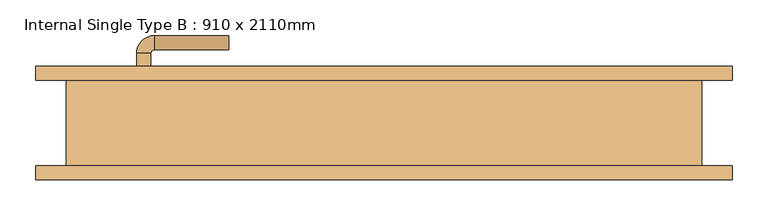
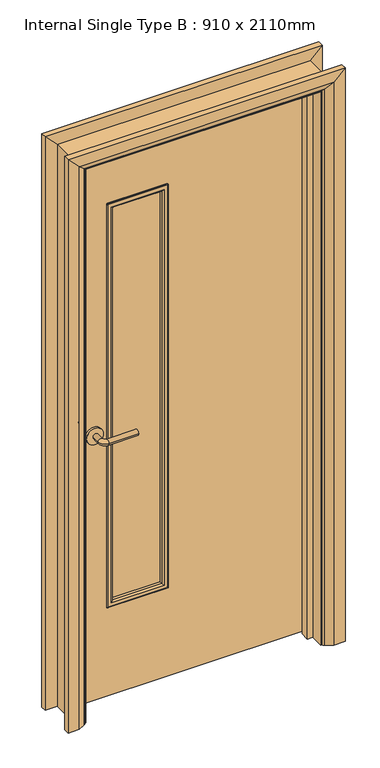
"""IFC4 building model written with IfcOpenShell, lengths in millimetres: door geometry, Internal Single Type B : 910 x 2110mm."""

from ifc_helpers import new_model, si_unit, point, frame, frame_2d, origin, place, context, project, spatial, polyline, circle_curve, ellipse_curve, trimmed, segment, composite_curve, outline, extrude, faceted_brep, source, transform, mapped, element, save
from ifc_brep_helpers import plane_surface, cylinder_surface, revolved_surface, advanced_brep


def internal_single_type_b_910_x_2110mm_4adf08a5(model_context):
    return source(origin(), model_context, "Body", "SolidModel", [
        advanced_brep(
        [(-348.0, 14.0, 1000.0), (-328.0, 14.0, 1000.0), (-328.0, -16.0, 1000.0), (-348.0, -16.0, 1000.0), (-323.0, -21.0, 1000.0), (-323.0, -41.0, 1000.0), (-218.0, -41.0, 1000.0), (-218.0, -21.0, 1000.0)],
        [
            (0, 1, circle_curve(frame((-338.0, 14.0, 1000.0), z_axis=(0.0, 1.0, 0.0), x_axis=(1.0, 0.0, 0.0)), 10.0)),
            (1, 0, circle_curve(frame((-338.0, 14.0, 1000.0), z_axis=(0.0, 1.0, 0.0), x_axis=(1.0, 0.0, 0.0)), 10.0)),
            (1, 2),
            (2, 3, circle_curve(frame((-338.0, -16.0, 1000.0), z_axis=(0.0, 1.0, 0.0), x_axis=(1.0, 0.0, 0.0)), 10.0)),
            (3, 0),
            (3, 2, circle_curve(frame((-338.0, -16.0, 1000.0), z_axis=(0.0, 1.0, 0.0), x_axis=(1.0, 0.0, 0.0)), 10.0)),
            (4, 5, circle_curve(frame((-323.0, -31.0, 1000.0), z_axis=(-1.0, 0.0, 0.0), x_axis=(0.0, 1.0, 0.0)), 10.0)),
            (5, 3, circle_curve(frame((-323.0, -16.0, 1000.0), z_axis=(0.0, 0.0, -1.0), x_axis=(-1.0, 0.0, 0.0)), 25.0)),
            (2, 4, circle_curve(frame((-323.0, -16.0, 1000.0), z_axis=(0.0, 0.0, 1.0), x_axis=(-1.0, 0.0, 0.0)), 5.0)),
            (5, 4, circle_curve(frame((-323.0, -31.0, 1000.0), z_axis=(-1.0, 0.0, 0.0), x_axis=(0.0, 1.0, 0.0)), 10.0)),
            (6, 7, circle_curve(frame((-218.0, -31.0, 1000.0), z_axis=(1.0, 0.0, 0.0), x_axis=(0.0, 1.0, 0.0)), 10.0)),
            (7, 6, circle_curve(frame((-218.0, -31.0, 1000.0), z_axis=(1.0, 0.0, 0.0), x_axis=(0.0, 1.0, 0.0)), 10.0)),
            (4, 7),
            (6, 5),
        ],
        [
            plane_surface(frame((-338.0, 14.0, 1000.0), z_axis=(0.0, 1.0, 0.0), x_axis=(0.0, 0.0, 1.0))),
            cylinder_surface(frame((-338.0, 14.0, 1000.0), z_axis=(0.0, 1.0, 0.0), x_axis=(1.0, 0.0, 0.0)), 10.0),
            revolved_surface(trimmed(ellipse_curve(frame((-338.0, -16.0, 1000.0), z_axis=(0.0, -1.0, 0.0), x_axis=(1.0, 0.0, 0.0)), 10.0, 10.0), [point((-348.0, -16.0, 1000.0))], [point((-328.0, -16.0, 1000.0))], True, "CARTESIAN"), (-323.0, -16.0, 1000.0), (0.0, 0.0, -1.0)),
            revolved_surface(trimmed(ellipse_curve(frame((-338.0, -16.0, 1000.0), z_axis=(0.0, -1.0, 0.0), x_axis=(1.0, 0.0, 0.0)), 10.0, 10.0), [point((-328.0, -16.0, 1000.0))], [point((-348.0, -16.0, 1000.0))], True, "CARTESIAN"), (-323.0, -16.0, 1000.0), (0.0, 0.0, -1.0)),
            plane_surface(frame((-218.0, -31.0, 1000.0), z_axis=(1.0, 0.0, 0.0), x_axis=(0.0, 0.0, 1.0))),
            cylinder_surface(frame((-323.0, -31.0, 1000.0), z_axis=(-1.0, 0.0, 0.0), x_axis=(0.0, 1.0, 0.0)), 10.0),
        ],
        [
            (0, [[1, 2]]),
            (1, [[3, 4, 5, -2]]),
            (1, [[-5, 6, -3, -1]]),
            (2, [[7, 8, -4, 9]]),
            (3, [[10, -9, -6, -8]]),
            (4, [[11, 12]]),
            (5, [[13, -11, 14, -7]]),
            (5, [[-14, -12, -13, -10]]),
        ],
    ),
        extrude(outline(composite_curve([segment(trimmed(circle_curve(frame_2d((1000.0, -340.5)), 30.0), [point((1000.0, -370.5))], [point((1000.0, -310.5))], False, "CARTESIAN"), True, "CONTINUOUS"), segment(trimmed(circle_curve(frame_2d((1000.0, -340.5)), 30.0), [point((1000.0, -310.5))], [point((1000.0, -370.5))], False, "CARTESIAN"), True, "CONTINUOUS")], self_intersect=False)), frame((0.0, 14.0, 0.0), z_axis=(0.0, 1.0, 0.0), x_axis=(0.0, 0.0, 1.0)), (0.0, 0.0, 1.0), 8.0),
        advanced_brep(
        [(-348.0, 68.0, 1000.0), (-328.0, 68.0, 1000.0), (-348.0, 98.0, 1000.0), (-328.0, 98.0, 1000.0), (-323.0, 103.0, 1000.0), (-323.0, 123.0, 1000.0), (-218.0, 123.0, 1000.0), (-218.0, 103.0, 1000.0)],
        [
            (0, 1, circle_curve(frame((-338.0, 68.0, 1000.0), z_axis=(0.0, -1.0, 0.0), x_axis=(1.0, 0.0, 0.0)), 10.0)),
            (1, 0, circle_curve(frame((-338.0, 68.0, 1000.0), z_axis=(0.0, -1.0, 0.0), x_axis=(1.0, 0.0, 0.0)), 10.0)),
            (0, 2),
            (2, 3, circle_curve(frame((-338.0, 98.0, 1000.0), z_axis=(0.0, -1.0, 0.0), x_axis=(1.0, 0.0, 0.0)), 10.0)),
            (3, 1),
            (3, 2, circle_curve(frame((-338.0, 98.0, 1000.0), z_axis=(0.0, -1.0, 0.0), x_axis=(1.0, 0.0, 0.0)), 10.0)),
            (4, 3, circle_curve(frame((-323.0, 98.0, 1000.0), z_axis=(0.0, 0.0, 1.0), x_axis=(-1.0, 0.0, 0.0)), 5.0)),
            (2, 5, circle_curve(frame((-323.0, 98.0, 1000.0), z_axis=(0.0, 0.0, -1.0), x_axis=(-1.0, 0.0, 0.0)), 25.0)),
            (5, 4, circle_curve(frame((-323.0, 113.0, 1000.0), z_axis=(-1.0, 0.0, 0.0), x_axis=(0.0, -1.0, 0.0)), 10.0)),
            (4, 5, circle_curve(frame((-323.0, 113.0, 1000.0), z_axis=(-1.0, 0.0, 0.0), x_axis=(0.0, -1.0, 0.0)), 10.0)),
            (6, 7, circle_curve(frame((-218.0, 113.0, 1000.0), z_axis=(1.0, 0.0, 0.0), x_axis=(0.0, -1.0, 0.0)), 10.0)),
            (7, 6, circle_curve(frame((-218.0, 113.0, 1000.0), z_axis=(1.0, 0.0, 0.0), x_axis=(0.0, -1.0, 0.0)), 10.0)),
            (5, 6),
            (7, 4),
        ],
        [
            plane_surface(frame((-338.0, 68.0, 1000.0), z_axis=(0.0, -1.0, 0.0), x_axis=(0.0, 0.0, 1.0))),
            cylinder_surface(frame((-338.0, 68.0, 1000.0), z_axis=(0.0, -1.0, 0.0), x_axis=(1.0, 0.0, 0.0)), 10.0),
            revolved_surface(trimmed(ellipse_curve(frame((-338.0, 98.0, 1000.0), z_axis=(0.0, -1.0, 0.0), x_axis=(1.0, 0.0, 0.0)), 10.0, 10.0), [point((-348.0, 98.0, 1000.0))], [point((-328.0, 98.0, 1000.0))], True, "CARTESIAN"), (-323.0, 98.0, 1000.0), (0.0, 0.0, -1.0)),
            revolved_surface(trimmed(ellipse_curve(frame((-338.0, 98.0, 1000.0), z_axis=(0.0, -1.0, 0.0), x_axis=(1.0, 0.0, 0.0)), 10.0, 10.0), [point((-328.0, 98.0, 1000.0))], [point((-348.0, 98.0, 1000.0))], True, "CARTESIAN"), (-323.0, 98.0, 1000.0), (0.0, 0.0, -1.0)),
            plane_surface(frame((-218.0, 113.0, 1000.0), z_axis=(1.0, 0.0, 0.0), x_axis=(0.0, 0.0, 1.0))),
            cylinder_surface(frame((-323.0, 113.0, 1000.0), z_axis=(-1.0, 0.0, 0.0), x_axis=(0.0, -1.0, 0.0)), 10.0),
        ],
        [
            (0, [[1, 2]]),
            (1, [[-1, 3, 4, 5]]),
            (1, [[-2, -5, 6, -3]]),
            (2, [[7, -4, 8, 9]]),
            (3, [[-8, -6, -7, 10]]),
            (4, [[11, 12]]),
            (5, [[-9, 13, -12, 14]]),
            (5, [[-10, -14, -11, -13]]),
        ],
    ),
        extrude(outline(composite_curve([segment(trimmed(circle_curve(frame_2d((1000.0, -340.5)), 30.0), [point((1000.0, -370.5))], [point((1000.0, -310.5))], False, "CARTESIAN"), True, "CONTINUOUS"), segment(trimmed(circle_curve(frame_2d((1000.0, -340.5)), 30.0), [point((1000.0, -310.5))], [point((1000.0, -370.5))], False, "CARTESIAN"), True, "CONTINUOUS")], self_intersect=False)), frame((0.0, 60.0, 0.0), z_axis=(0.0, 1.0, 0.0), x_axis=(0.0, 0.0, 1.0)), (0.0, 0.0, 1.0), 8.0),
        extrude(outline(polyline([(2068.0, -413.0), (8.0, -413.0), (8.0, 413.0), (2068.0, 413.0), (2068.0, -413.0)]), holes=[polyline([(1843.0, -88.0), (350.0, -88.0), (350.0, -288.0), (1843.0, -288.0), (1843.0, -88.0)])]), frame((0.0, 22.0, 0.0), z_axis=(0.0, 1.0, 0.0), x_axis=(0.0, 0.0, 1.0)), (0.0, 0.0, 1.0), 38.0),
        extrude(outline(polyline([(0.0, -415.0), (0.0, -396.0), (2051.0, -396.0), (2051.0, 396.0), (0.0, 396.0), (0.0, 415.0), (2070.0, 415.0), (2070.0, -415.0), (0.0, -415.0)])), frame((0.0, -12.0, 0.0), z_axis=(0.0, 1.0, 0.0), x_axis=(0.0, 0.0, 1.0)), (0.0, 0.0, 1.0), 32.0),
        advanced_brep(
        [(-490.0, 80.0, 0.0), (-450.0, 80.0, 0.0), (-424.0, 66.0, 0.0), (-420.0, 60.0, 0.0), (-490.0, 60.0, 0.0), (-490.0, 80.0, 2145.0), (-450.0, 80.0, 2105.0), (-424.0, 66.0, 2079.0), (-420.0, 60.0, 2075.0), (-490.0, 60.0, 2145.0), (490.0, 80.0, 2145.0), (450.0, 80.0, 2105.0), (424.0, 66.0, 2079.0), (420.0, 60.0, 2075.0), (490.0, 60.0, 2145.0), (490.0, 80.0, 0.0), (490.0, 60.0, 0.0), (420.0, 60.0, 0.0), (424.0, 66.0, 0.0), (450.0, 80.0, 0.0)],
        [
            (0, 1),
            (1, 2),
            (2, 3, circle_curve(frame((-428.0, 59.0, 0.0), z_axis=(0.0, 0.0, -1.0), x_axis=(-1.0, 0.0, 0.0)), 8.0622577)),
            (3, 4),
            (4, 0),
            (0, 5),
            (5, 6),
            (6, 1),
            (6, 7),
            (7, 2),
            (7, 8, ellipse_curve(frame((-428.0, 59.0, 2083.0), z_axis=(-0.7071067811865475, 0.0, -0.7071067811865475), x_axis=(0.7071067811865474, 0.0, -0.7071067811865476)), 11.4017543, 8.0622577)),
            (8, 3),
            (8, 9),
            (9, 4),
            (9, 5),
            (5, 10),
            (10, 11),
            (11, 6),
            (11, 12),
            (12, 7),
            (12, 13, ellipse_curve(frame((428.0, 59.0, 2083.0), z_axis=(-0.7071067811865475, 0.0, 0.7071067811865475), x_axis=(-0.7071067811865476, 0.0, -0.7071067811865474)), 11.4017543, 8.0622577)),
            (13, 8),
            (13, 14),
            (14, 9),
            (14, 10),
            (15, 16),
            (16, 17),
            (17, 18, circle_curve(frame((428.0, 59.0, 0.0), z_axis=(0.0, 0.0, -1.0), x_axis=(1.0, 0.0, 0.0)), 8.0622577)),
            (18, 19),
            (19, 15),
            (10, 15),
            (19, 11),
            (18, 12),
            (17, 13),
            (16, 14),
        ],
        [
            plane_surface(frame((-420.0, -12.8010989, 0.0), z_axis=(0.0, 0.0, -1.0), x_axis=(1.0, 0.0, 0.0))),
            plane_surface(frame((-490.0, 80.0, 0.0), z_axis=(0.0, 1.0, 0.0), x_axis=(0.0, 0.0, 1.0))),
            plane_surface(frame((-450.0, 80.0, 0.0), z_axis=(0.4740998230350183, 0.8804710999221749, 0.0), x_axis=(0.0, 0.0, 1.0))),
            cylinder_surface(frame((-428.0, 59.0, 0.0), z_axis=(0.0, 0.0, -1.0), x_axis=(-1.0, 0.0, 0.0)), 8.0622577),
            plane_surface(frame((-420.0, 60.0, 0.0), z_axis=(0.0, -1.0, 0.0), x_axis=(0.0, 0.0, 1.0))),
            plane_surface(frame((-490.0, 60.0, 0.0), z_axis=(-1.0, 0.0, 0.0), x_axis=(0.0, 0.0, 1.0))),
            plane_surface(frame((-490.0, 80.0, 2145.0), z_axis=(0.0, 1.0, 0.0), x_axis=(1.0, 0.0, 0.0))),
            plane_surface(frame((-450.0, 80.0, 2105.0), z_axis=(0.0, 0.8804710999221749, -0.4740998230350183), x_axis=(1.0, 0.0, 0.0))),
            cylinder_surface(frame((-420.0, 59.0, 2083.0), z_axis=(-1.0, 0.0, 0.0), x_axis=(0.0, 0.0, 1.0)), 8.0622577),
            plane_surface(frame((-420.0, 60.0, 2075.0), z_axis=(0.0, -1.0, 0.0), x_axis=(1.0, 0.0, 0.0))),
            plane_surface(frame((-490.0, 60.0, 2145.0), z_axis=(0.0, 0.0, 1.0), x_axis=(1.0, 0.0, 0.0))),
            plane_surface(frame((420.0, -12.8010989, 0.0), z_axis=(0.0, 0.0, -1.0), x_axis=(-1.0, 0.0, 0.0))),
            plane_surface(frame((490.0, 80.0, 2145.0), z_axis=(0.0, 1.0, 0.0), x_axis=(0.0, 0.0, -1.0))),
            plane_surface(frame((450.0, 80.0, 2105.0), z_axis=(-0.4740998230350183, 0.8804710999221749, 0.0), x_axis=(0.0, 0.0, -1.0))),
            cylinder_surface(frame((428.0, 59.0, 2075.0), z_axis=(0.0, 0.0, 1.0), x_axis=(1.0, 0.0, 0.0)), 8.0622577),
            plane_surface(frame((420.0, 60.0, 2075.0), z_axis=(0.0, -1.0, 0.0), x_axis=(0.0, 0.0, -1.0))),
            plane_surface(frame((490.0, 60.0, 2145.0), z_axis=(1.0, 0.0, 0.0), x_axis=(0.0, 0.0, -1.0))),
        ],
        [
            (0, [[1, 2, 3, 4, 5]]),
            (1, [[-1, 6, 7, 8]]),
            (2, [[-2, -8, 9, 10]]),
            (3, [[-3, -10, 11, 12]]),
            (4, [[-4, -12, 13, 14]]),
            (5, [[-5, -14, 15, -6]]),
            (6, [[-7, 16, 17, 18]]),
            (7, [[-9, -18, 19, 20]]),
            (8, [[-11, -20, 21, 22]]),
            (9, [[-13, -22, 23, 24]]),
            (10, [[-15, -24, 25, -16]]),
            (11, [[26, 27, 28, 29, 30]]),
            (12, [[-17, 31, -30, 32]]),
            (13, [[-19, -32, -29, 33]]),
            (14, [[-21, -33, -28, 34]]),
            (15, [[-23, -34, -27, 35]]),
            (16, [[-25, -35, -26, -31]]),
        ],
    ),
        advanced_brep(
        [(-490.0, -80.0, 0.0), (-490.0, -60.0, 0.0), (-420.0, -60.0, 0.0), (-424.0, -66.0, 0.0), (-450.0, -80.0, 0.0), (-490.0, -80.0, 2145.0), (-490.0, -60.0, 2145.0), (-420.0, -60.0, 2075.0), (-424.0, -66.0, 2079.0), (-450.0, -80.0, 2105.0), (490.0, -80.0, 2145.0), (490.0, -60.0, 2145.0), (420.0, -60.0, 2075.0), (424.0, -66.0, 2079.0), (450.0, -80.0, 2105.0), (490.0, -80.0, 0.0), (450.0, -80.0, 0.0), (424.0, -66.0, 0.0), (420.0, -60.0, 0.0), (490.0, -60.0, 0.0)],
        [
            (0, 1),
            (1, 2),
            (2, 3, circle_curve(frame((-428.0, -59.0, 0.0), z_axis=(0.0, 0.0, -1.0), x_axis=(-1.0, 0.0, 0.0)), 8.0622577)),
            (3, 4),
            (4, 0),
            (0, 5),
            (5, 6),
            (6, 1),
            (6, 7),
            (7, 2),
            (7, 8, ellipse_curve(frame((-428.0, -59.0, 2083.0), z_axis=(-0.7071067811865475, 0.0, -0.7071067811865475), x_axis=(0.7071067811865474, 0.0, -0.7071067811865476)), 11.4017543, 8.0622577)),
            (8, 3),
            (8, 9),
            (9, 4),
            (9, 5),
            (5, 10),
            (10, 11),
            (11, 6),
            (11, 12),
            (12, 7),
            (12, 13, ellipse_curve(frame((428.0, -59.0, 2083.0), z_axis=(-0.7071067811865475, 0.0, 0.7071067811865475), x_axis=(-0.7071067811865476, 0.0, -0.7071067811865474)), 11.4017543, 8.0622577)),
            (13, 8),
            (13, 14),
            (14, 9),
            (14, 10),
            (15, 16),
            (16, 17),
            (17, 18, circle_curve(frame((428.0, -59.0, 0.0), z_axis=(0.0, 0.0, -1.0), x_axis=(1.0, 0.0, 0.0)), 8.0622577)),
            (18, 19),
            (19, 15),
            (10, 15),
            (19, 11),
            (18, 12),
            (17, 13),
            (16, 14),
        ],
        [
            plane_surface(frame((-420.0, -132.8010989, 0.0), z_axis=(0.0, 0.0, -1.0), x_axis=(1.0, 0.0, 0.0))),
            plane_surface(frame((-490.0, -80.0, 0.0), z_axis=(-1.0, 0.0, 0.0), x_axis=(0.0, 0.0, 1.0))),
            plane_surface(frame((-490.0, -60.0, 0.0), z_axis=(0.0, 1.0, 0.0), x_axis=(0.0, 0.0, 1.0))),
            cylinder_surface(frame((-428.0, -59.0, 0.0), z_axis=(0.0, 0.0, -1.0), x_axis=(-1.0, 0.0, 0.0)), 8.0622577),
            plane_surface(frame((-424.0, -66.0, 0.0), z_axis=(0.4740998230350183, -0.8804710999221749, 0.0), x_axis=(0.0, 0.0, 1.0))),
            plane_surface(frame((-450.0, -80.0, 0.0), z_axis=(0.0, -1.0, 0.0), x_axis=(0.0, 0.0, 1.0))),
            plane_surface(frame((-490.0, -80.0, 2145.0), z_axis=(0.0, 0.0, 1.0), x_axis=(1.0, 0.0, 0.0))),
            plane_surface(frame((-490.0, -60.0, 2145.0), z_axis=(0.0, 1.0, 0.0), x_axis=(1.0, 0.0, 0.0))),
            cylinder_surface(frame((-420.0, -59.0, 2083.0), z_axis=(-1.0, 0.0, 0.0), x_axis=(0.0, 0.0, 1.0)), 8.0622577),
            plane_surface(frame((-424.0, -66.0, 2079.0), z_axis=(0.0, -0.8804710999221749, -0.4740998230350183), x_axis=(1.0, 0.0, 0.0))),
            plane_surface(frame((-450.0, -80.0, 2105.0), z_axis=(0.0, -1.0, 0.0), x_axis=(1.0, 0.0, 0.0))),
            plane_surface(frame((420.0, -132.8010989, 0.0), z_axis=(0.0, 0.0, -1.0), x_axis=(-1.0, 0.0, 0.0))),
            plane_surface(frame((490.0, -80.0, 2145.0), z_axis=(1.0, 0.0, 0.0), x_axis=(0.0, 0.0, -1.0))),
            plane_surface(frame((490.0, -60.0, 2145.0), z_axis=(0.0, 1.0, 0.0), x_axis=(0.0, 0.0, -1.0))),
            cylinder_surface(frame((428.0, -59.0, 2075.0), z_axis=(0.0, 0.0, 1.0), x_axis=(1.0, 0.0, 0.0)), 8.0622577),
            plane_surface(frame((424.0, -66.0, 2079.0), z_axis=(-0.4740998230350183, -0.8804710999221749, 0.0), x_axis=(0.0, 0.0, -1.0))),
            plane_surface(frame((450.0, -80.0, 2105.0), z_axis=(0.0, -1.0, 0.0), x_axis=(0.0, 0.0, -1.0))),
        ],
        [
            (0, [[1, 2, 3, 4, 5]]),
            (1, [[-1, 6, 7, 8]]),
            (2, [[-2, -8, 9, 10]]),
            (3, [[-3, -10, 11, 12]]),
            (4, [[-4, -12, 13, 14]]),
            (5, [[-5, -14, 15, -6]]),
            (6, [[-7, 16, 17, 18]]),
            (7, [[-9, -18, 19, 20]]),
            (8, [[-11, -20, 21, 22]]),
            (9, [[-13, -22, 23, 24]]),
            (10, [[-15, -24, 25, -16]]),
            (11, [[26, 27, 28, 29, 30]]),
            (12, [[-17, 31, -30, 32]]),
            (13, [[-19, -32, -29, 33]]),
            (14, [[-21, -33, -28, 34]]),
            (15, [[-23, -34, -27, 35]]),
            (16, [[-25, -35, -26, -31]]),
        ],
    ),
        faceted_brep([(-415.0, 60.0, 0.0), (-415.0, -60.0, 0.0), (-447.0, -60.0, 0.0), (-447.0, 60.0, 0.0), (-415.0, 60.0, 2070.0), (-415.0, -60.0, 2070.0), (-447.0, -60.0, 2102.0), (-447.0, 60.0, 2102.0), (415.0, 60.0, 2070.0), (415.0, -60.0, 2070.0), (447.0, -60.0, 2102.0), (447.0, 60.0, 2102.0), (415.0, 60.0, 0.0), (447.0, 60.0, 0.0), (447.0, -60.0, 0.0), (415.0, -60.0, 0.0)], [[[0, 1, 2, 3]], [[1, 0, 4, 5]], [[2, 1, 5, 6]], [[3, 2, 6, 7]], [[0, 3, 7, 4]], [[5, 4, 8, 9]], [[6, 5, 9, 10]], [[7, 6, 10, 11]], [[4, 7, 11, 8]], [[12, 13, 14, 15]], [[9, 8, 12, 15]], [[10, 9, 15, 14]], [[11, 10, 14, 13]], [[8, 11, 13, 12]]]),
        extrude(outline(polyline([(-288.0, 50.0), (-88.0, 50.0), (-88.0, 32.0), (-288.0, 32.0), (-288.0, 50.0)])), frame((0.0, 0.0, 350.0), z_axis=(0.0, 0.0, 1.0), x_axis=(1.0, 0.0, 0.0)), (0.0, 0.0, 1.0), 1493.0),
        advanced_brep(
        [(-88.0, 32.0, 1843.0), (-88.0, 22.0, 1843.0), (-88.0, 22.0, 350.0), (-88.0, 32.0, 350.0), (-100.0, 21.0, 1831.0), (-100.0, 32.0, 1831.0), (-100.0, 32.0, 362.0), (-100.0, 21.0, 362.0), (-95.0, 16.0, 1836.0), (-95.0, 16.0, 357.0), (-80.0, 18.0, 1851.0), (-82.0, 16.0, 1849.0), (-82.0, 16.0, 344.0), (-80.0, 18.0, 342.0), (-80.0, 22.0, 1851.0), (-80.0, 22.0, 342.0), (-288.0, 22.0, 350.0), (-288.0, 32.0, 350.0), (-276.0, 32.0, 362.0), (-276.0, 21.0, 362.0), (-281.0, 16.0, 357.0), (-294.0, 16.0, 344.0), (-296.0, 18.0, 342.0), (-296.0, 22.0, 342.0), (-288.0, 22.0, 1843.0), (-288.0, 32.0, 1843.0), (-276.0, 32.0, 1831.0), (-276.0, 21.0, 1831.0), (-281.0, 16.0, 1836.0), (-294.0, 16.0, 1849.0), (-296.0, 18.0, 1851.0), (-296.0, 22.0, 1851.0)],
        [
            (0, 1),
            (1, 2),
            (2, 3),
            (3, 0),
            (4, 5),
            (5, 6),
            (6, 7),
            (7, 4),
            (8, 4, ellipse_curve(frame((-95.0, 21.0, 1836.0), z_axis=(0.7071067811865475, 0.0, -0.7071067811865475), x_axis=(0.7071067811865474, 0.0, 0.7071067811865476)), 7.0710678, 5.0)),
            (7, 9, ellipse_curve(frame((-95.0, 21.0, 357.0), z_axis=(0.7071067811865475, 0.0, 0.7071067811865475), x_axis=(-0.7071067811865474, 0.0, 0.7071067811865476)), 7.0710678, 5.0)),
            (9, 8),
            (10, 11, ellipse_curve(frame((-82.0, 18.0, 1849.0), z_axis=(0.7071067811865475, 0.0, -0.7071067811865475), x_axis=(0.7071067811865474, 0.0, 0.7071067811865476)), 2.8284271, 2.0)),
            (11, 12),
            (12, 13, ellipse_curve(frame((-82.0, 18.0, 344.0), z_axis=(0.7071067811865475, 0.0, 0.7071067811865475), x_axis=(-0.7071067811865474, 0.0, 0.7071067811865476)), 2.8284271, 2.0)),
            (13, 10),
            (14, 10),
            (13, 15),
            (15, 14),
            (2, 16),
            (16, 17),
            (17, 3),
            (6, 18),
            (18, 19),
            (19, 7),
            (19, 20, ellipse_curve(frame((-281.0, 21.0, 357.0), z_axis=(0.7071067811865475, 0.0, -0.7071067811865475), x_axis=(0.7071067811865476, 0.0, 0.7071067811865474)), 7.0710678, 5.0)),
            (20, 9),
            (12, 21),
            (21, 22, ellipse_curve(frame((-294.0, 18.0, 344.0), z_axis=(0.7071067811865475, 0.0, -0.7071067811865475), x_axis=(0.7071067811865476, 0.0, 0.7071067811865474)), 2.8284271, 2.0)),
            (22, 13),
            (22, 23),
            (23, 15),
            (16, 24),
            (24, 25),
            (25, 17),
            (18, 26),
            (26, 27),
            (27, 19),
            (27, 28, ellipse_curve(frame((-281.0, 21.0, 1836.0), z_axis=(-0.7071067811865475, 0.0, -0.7071067811865475), x_axis=(0.7071067811865474, 0.0, -0.7071067811865476)), 7.0710678, 5.0)),
            (28, 20),
            (21, 29),
            (29, 30, ellipse_curve(frame((-294.0, 18.0, 1849.0), z_axis=(-0.7071067811865475, 0.0, -0.7071067811865475), x_axis=(0.7071067811865474, 0.0, -0.7071067811865476)), 2.8284271, 2.0)),
            (30, 22),
            (30, 31),
            (31, 23),
            (31, 14),
            (1, 24),
            (0, 25),
            (5, 26),
            (4, 27),
            (8, 28),
            (11, 29),
            (10, 30),
        ],
        [
            plane_surface(frame((-88.0, 22.0, 1843.0), z_axis=(1.0, 0.0, 0.0), x_axis=(0.0, 0.0, -1.0))),
            plane_surface(frame((-100.0, 32.0, 1831.0), z_axis=(-1.0, 0.0, 0.0), x_axis=(0.0, 0.0, -1.0))),
            cylinder_surface(frame((-95.0, 21.0, 1843.0), z_axis=(0.0, 0.0, 1.0), x_axis=(1.0, 0.0, 0.0)), 5.0),
            cylinder_surface(frame((-82.0, 18.0, 1843.0), z_axis=(0.0, 0.0, 1.0), x_axis=(1.0, 0.0, 0.0)), 2.0),
            plane_surface(frame((-80.0, 18.0, 1851.0), z_axis=(1.0, 0.0, 0.0), x_axis=(0.0, 0.0, -1.0))),
            plane_surface(frame((-88.0, 22.0, 350.0), z_axis=(0.0, 0.0, -1.0), x_axis=(-1.0, 0.0, 0.0))),
            plane_surface(frame((-100.0, 32.0, 362.0), z_axis=(0.0, 0.0, 1.0), x_axis=(-1.0, 0.0, 0.0))),
            cylinder_surface(frame((-88.0, 21.0, 357.0), z_axis=(1.0, 0.0, 0.0), x_axis=(0.0, 0.0, -1.0)), 5.0),
            cylinder_surface(frame((-88.0, 18.0, 344.0), z_axis=(1.0, 0.0, 0.0), x_axis=(0.0, 0.0, -1.0)), 2.0),
            plane_surface(frame((-80.0, 18.0, 342.0), z_axis=(0.0, 0.0, -1.0), x_axis=(-1.0, 0.0, 0.0))),
            plane_surface(frame((-288.0, 22.0, 350.0), z_axis=(-1.0, 0.0, 0.0), x_axis=(0.0, 0.0, 1.0))),
            plane_surface(frame((-276.0, 32.0, 362.0), z_axis=(1.0, 0.0, 0.0), x_axis=(0.0, 0.0, 1.0))),
            cylinder_surface(frame((-281.0, 21.0, 350.0), z_axis=(0.0, 0.0, -1.0), x_axis=(-1.0, 0.0, 0.0)), 5.0),
            cylinder_surface(frame((-294.0, 18.0, 350.0), z_axis=(0.0, 0.0, -1.0), x_axis=(-1.0, 0.0, 0.0)), 2.0),
            plane_surface(frame((-296.0, 18.0, 342.0), z_axis=(-1.0, 0.0, 0.0), x_axis=(0.0, 0.0, 1.0))),
            plane_surface(frame((-296.0, 22.0, 1851.0), z_axis=(0.0, 1.0, 0.0), x_axis=(1.0, 0.0, 0.0))),
            plane_surface(frame((-288.0, 22.0, 1843.0), z_axis=(0.0, 0.0, 1.0), x_axis=(1.0, 0.0, 0.0))),
            plane_surface(frame((-288.0, 32.0, 1843.0), z_axis=(0.0, 1.0, 0.0), x_axis=(1.0, 0.0, 0.0))),
            plane_surface(frame((-276.0, 32.0, 1831.0), z_axis=(0.0, 0.0, -1.0), x_axis=(1.0, 0.0, 0.0))),
            cylinder_surface(frame((-288.0, 21.0, 1836.0), z_axis=(-1.0, 0.0, 0.0), x_axis=(0.0, 0.0, 1.0)), 5.0),
            plane_surface(frame((-281.0, 16.0, 1836.0), z_axis=(0.0, -1.0, 0.0), x_axis=(1.0, 0.0, 0.0))),
            cylinder_surface(frame((-288.0, 18.0, 1849.0), z_axis=(-1.0, 0.0, 0.0), x_axis=(0.0, 0.0, 1.0)), 2.0),
            plane_surface(frame((-296.0, 18.0, 1851.0), z_axis=(0.0, 0.0, 1.0), x_axis=(1.0, 0.0, 0.0))),
        ],
        [
            (0, [[1, 2, 3, 4]]),
            (1, [[5, 6, 7, 8]]),
            (2, [[9, -8, 10, 11]]),
            (3, [[12, 13, 14, 15]]),
            (4, [[16, -15, 17, 18]]),
            (5, [[-3, 19, 20, 21]]),
            (6, [[-7, 22, 23, 24]]),
            (7, [[-10, -24, 25, 26]]),
            (8, [[-14, 27, 28, 29]]),
            (9, [[-17, -29, 30, 31]]),
            (10, [[-20, 32, 33, 34]]),
            (11, [[-23, 35, 36, 37]]),
            (12, [[-25, -37, 38, 39]]),
            (13, [[-28, 40, 41, 42]]),
            (14, [[-30, -42, 43, 44]]),
            (15, [[-31, -44, 45, -18], [46, -32, -19, -2]]),
            (16, [[-33, -46, -1, 47]]),
            (17, [[-21, -34, -47, -4], [48, -35, -22, -6]]),
            (18, [[-36, -48, -5, 49]]),
            (19, [[-38, -49, -9, 50]]),
            (20, [[51, -40, -27, -13], [-26, -39, -50, -11]]),
            (21, [[-41, -51, -12, 52]]),
            (22, [[-43, -52, -16, -45]]),
        ],
    ),
        advanced_brep(
        [(-80.0, 64.0, 1851.0), (-80.0, 60.0, 1851.0), (-80.0, 60.0, 342.0), (-80.0, 64.0, 342.0), (-82.0, 66.0, 1849.0), (-82.0, 66.0, 344.0), (-100.0, 61.0, 1831.0), (-95.0, 66.0, 1836.0), (-95.0, 66.0, 357.0), (-100.0, 61.0, 362.0), (-100.0, 50.0, 1831.0), (-100.0, 50.0, 362.0), (-88.0, 60.0, 1843.0), (-88.0, 50.0, 1843.0), (-88.0, 50.0, 350.0), (-88.0, 60.0, 350.0), (-296.0, 60.0, 342.0), (-296.0, 64.0, 342.0), (-294.0, 66.0, 344.0), (-281.0, 66.0, 357.0), (-276.0, 61.0, 362.0), (-276.0, 50.0, 362.0), (-288.0, 50.0, 350.0), (-288.0, 60.0, 350.0), (-296.0, 60.0, 1851.0), (-296.0, 64.0, 1851.0), (-294.0, 66.0, 1849.0), (-281.0, 66.0, 1836.0), (-276.0, 61.0, 1831.0), (-276.0, 50.0, 1831.0), (-288.0, 50.0, 1843.0), (-288.0, 60.0, 1843.0)],
        [
            (0, 1),
            (1, 2),
            (2, 3),
            (3, 0),
            (4, 0, ellipse_curve(frame((-82.0, 64.0, 1849.0), z_axis=(0.7071067811865475, 0.0, -0.7071067811865475), x_axis=(0.7071067811865474, 0.0, 0.7071067811865476)), 2.8284271, 2.0)),
            (3, 5, ellipse_curve(frame((-82.0, 64.0, 344.0), z_axis=(0.7071067811865475, 0.0, 0.7071067811865475), x_axis=(-0.7071067811865474, 0.0, 0.7071067811865476)), 2.8284271, 2.0)),
            (5, 4),
            (6, 7, ellipse_curve(frame((-95.0, 61.0, 1836.0), z_axis=(0.7071067811865475, 0.0, -0.7071067811865475), x_axis=(0.7071067811865474, 0.0, 0.7071067811865476)), 7.0710678, 5.0)),
            (7, 8),
            (8, 9, ellipse_curve(frame((-95.0, 61.0, 357.0), z_axis=(0.7071067811865475, 0.0, 0.7071067811865475), x_axis=(-0.7071067811865474, 0.0, 0.7071067811865476)), 7.0710678, 5.0)),
            (9, 6),
            (10, 6),
            (9, 11),
            (11, 10),
            (12, 13),
            (13, 14),
            (14, 15),
            (15, 12),
            (2, 16),
            (16, 17),
            (17, 3),
            (17, 18, ellipse_curve(frame((-294.0, 64.0, 344.0), z_axis=(0.7071067811865475, 0.0, -0.7071067811865475), x_axis=(0.7071067811865476, 0.0, 0.7071067811865474)), 2.8284271, 2.0)),
            (18, 5),
            (8, 19),
            (19, 20, ellipse_curve(frame((-281.0, 61.0, 357.0), z_axis=(0.7071067811865475, 0.0, -0.7071067811865475), x_axis=(0.7071067811865476, 0.0, 0.7071067811865474)), 7.0710678, 5.0)),
            (20, 9),
            (20, 21),
            (21, 11),
            (14, 22),
            (22, 23),
            (23, 15),
            (16, 24),
            (24, 25),
            (25, 17),
            (25, 26, ellipse_curve(frame((-294.0, 64.0, 1849.0), z_axis=(-0.7071067811865475, 0.0, -0.7071067811865475), x_axis=(0.7071067811865474, 0.0, -0.7071067811865476)), 2.8284271, 2.0)),
            (26, 18),
            (19, 27),
            (27, 28, ellipse_curve(frame((-281.0, 61.0, 1836.0), z_axis=(-0.7071067811865475, 0.0, -0.7071067811865475), x_axis=(0.7071067811865474, 0.0, -0.7071067811865476)), 7.0710678, 5.0)),
            (28, 20),
            (28, 29),
            (29, 21),
            (22, 30),
            (30, 31),
            (31, 23),
            (24, 1),
            (0, 25),
            (4, 26),
            (7, 27),
            (6, 28),
            (10, 29),
            (13, 30),
            (12, 31),
        ],
        [
            plane_surface(frame((-80.0, 60.0, 1851.0), z_axis=(1.0, 0.0, 0.0), x_axis=(0.0, 0.0, -1.0))),
            cylinder_surface(frame((-82.0, 64.0, 1843.0), z_axis=(0.0, 0.0, 1.0), x_axis=(1.0, 0.0, 0.0)), 2.0),
            cylinder_surface(frame((-95.0, 61.0, 1843.0), z_axis=(0.0, 0.0, 1.0), x_axis=(1.0, 0.0, 0.0)), 5.0),
            plane_surface(frame((-100.0, 61.0, 1831.0), z_axis=(-1.0, 0.0, 0.0), x_axis=(0.0, 0.0, -1.0))),
            plane_surface(frame((-88.0, 50.0, 1843.0), z_axis=(1.0, 0.0, 0.0), x_axis=(0.0, 0.0, -1.0))),
            plane_surface(frame((-80.0, 60.0, 342.0), z_axis=(0.0, 0.0, -1.0), x_axis=(-1.0, 0.0, 0.0))),
            cylinder_surface(frame((-88.0, 64.0, 344.0), z_axis=(1.0, 0.0, 0.0), x_axis=(0.0, 0.0, -1.0)), 2.0),
            cylinder_surface(frame((-88.0, 61.0, 357.0), z_axis=(1.0, 0.0, 0.0), x_axis=(0.0, 0.0, -1.0)), 5.0),
            plane_surface(frame((-100.0, 61.0, 362.0), z_axis=(0.0, 0.0, 1.0), x_axis=(-1.0, 0.0, 0.0))),
            plane_surface(frame((-88.0, 50.0, 350.0), z_axis=(0.0, 0.0, -1.0), x_axis=(-1.0, 0.0, 0.0))),
            plane_surface(frame((-296.0, 60.0, 342.0), z_axis=(-1.0, 0.0, 0.0), x_axis=(0.0, 0.0, 1.0))),
            cylinder_surface(frame((-294.0, 64.0, 350.0), z_axis=(0.0, 0.0, -1.0), x_axis=(-1.0, 0.0, 0.0)), 2.0),
            cylinder_surface(frame((-281.0, 61.0, 350.0), z_axis=(0.0, 0.0, -1.0), x_axis=(-1.0, 0.0, 0.0)), 5.0),
            plane_surface(frame((-276.0, 61.0, 362.0), z_axis=(1.0, 0.0, 0.0), x_axis=(0.0, 0.0, 1.0))),
            plane_surface(frame((-288.0, 50.0, 350.0), z_axis=(-1.0, 0.0, 0.0), x_axis=(0.0, 0.0, 1.0))),
            plane_surface(frame((-296.0, 60.0, 1851.0), z_axis=(0.0, 0.0, 1.0), x_axis=(1.0, 0.0, 0.0))),
            cylinder_surface(frame((-288.0, 64.0, 1849.0), z_axis=(-1.0, 0.0, 0.0), x_axis=(0.0, 0.0, 1.0)), 2.0),
            plane_surface(frame((-294.0, 66.0, 1849.0), z_axis=(0.0, 1.0, 0.0), x_axis=(1.0, 0.0, 0.0))),
            cylinder_surface(frame((-288.0, 61.0, 1836.0), z_axis=(-1.0, 0.0, 0.0), x_axis=(0.0, 0.0, 1.0)), 5.0),
            plane_surface(frame((-276.0, 61.0, 1831.0), z_axis=(0.0, 0.0, -1.0), x_axis=(1.0, 0.0, 0.0))),
            plane_surface(frame((-276.0, 50.0, 1831.0), z_axis=(0.0, -1.0, 0.0), x_axis=(1.0, 0.0, 0.0))),
            plane_surface(frame((-288.0, 50.0, 1843.0), z_axis=(0.0, 0.0, 1.0), x_axis=(1.0, 0.0, 0.0))),
            plane_surface(frame((-288.0, 60.0, 1843.0), z_axis=(0.0, -1.0, 0.0), x_axis=(1.0, 0.0, 0.0))),
        ],
        [
            (0, [[1, 2, 3, 4]]),
            (1, [[5, -4, 6, 7]]),
            (2, [[8, 9, 10, 11]]),
            (3, [[12, -11, 13, 14]]),
            (4, [[15, 16, 17, 18]]),
            (5, [[-3, 19, 20, 21]]),
            (6, [[-6, -21, 22, 23]]),
            (7, [[-10, 24, 25, 26]]),
            (8, [[-13, -26, 27, 28]]),
            (9, [[-17, 29, 30, 31]]),
            (10, [[-20, 32, 33, 34]]),
            (11, [[-22, -34, 35, 36]]),
            (12, [[-25, 37, 38, 39]]),
            (13, [[-27, -39, 40, 41]]),
            (14, [[-30, 42, 43, 44]]),
            (15, [[-33, 45, -1, 46]]),
            (16, [[-35, -46, -5, 47]]),
            (17, [[-23, -36, -47, -7], [48, -37, -24, -9]]),
            (18, [[-38, -48, -8, 49]]),
            (19, [[-40, -49, -12, 50]]),
            (20, [[51, -42, -29, -16], [-28, -41, -50, -14]]),
            (21, [[-43, -51, -15, 52]]),
            (22, [[-45, -32, -19, -2], [-31, -44, -52, -18]]),
        ],
    ),
    ])


if __name__ == "__main__":
    model = new_model("IFC4")
    model_context = context("Model", 3, world=origin())
    ifc_project = project(units=[si_unit("LENGTHUNIT", "METRE", prefix="MILLI")], contexts=[model_context])
    site = spatial("IfcSite", under=ifc_project)
    building = spatial("IfcBuilding", under=site)
    placement = place(None, origin())
    internal_single_type_b_910_x_2110mm_shape = internal_single_type_b_910_x_2110mm_4adf08a5(model_context)
    element("IfcDoor", 1, ObjectType="Internal Single Type B : 910 x 2110mm", at=placement, inside=building, context=model_context, shape_type="MappedRepresentation", body=[
        mapped(internal_single_type_b_910_x_2110mm_shape, transform((0.0, 0.0, 0.0), x_axis=(1.0, 0.0, 0.0), y_axis=(0.0, 1.0, 0.0), z_axis=(0.0, 0.0, 1.0))),
    ])
    save(model, "model.ifc")
